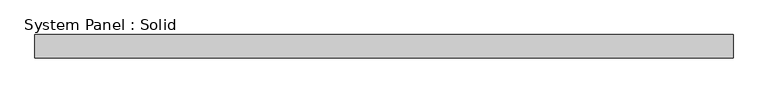
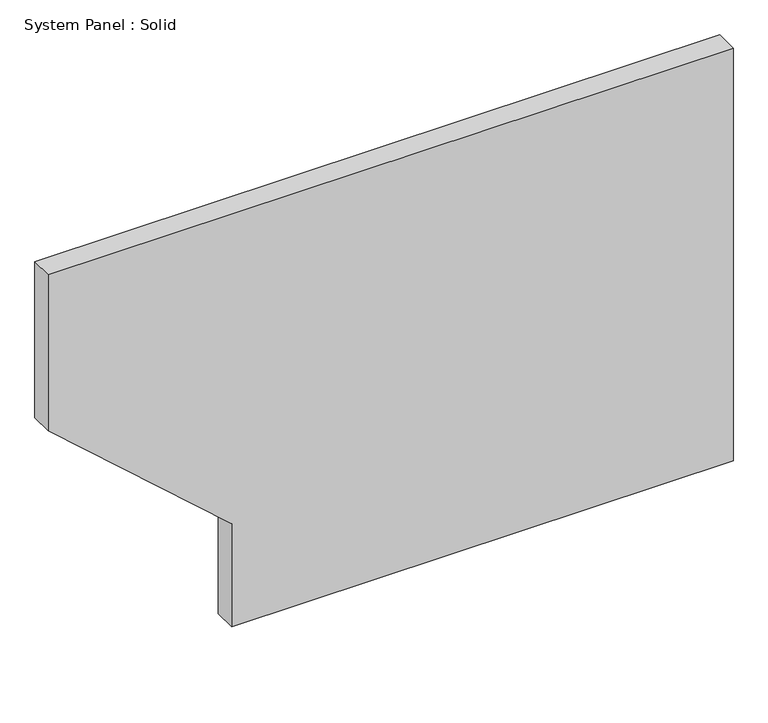
"""IFC4 building model written with IfcOpenShell, lengths in millimetres: plate geometry, System Panel : Solid."""

import ifcopenshell
import ifcopenshell.guid

model = None  # the IFC model being written
_history = None  # IfcOwnerHistory: only IFC2X3 demands one
_inside = {}  # id of a spatial element -> (the spatial element, [elements in it])
_under = {}  # id of a project, library or spatial element -> (it, [spatial elements below it])
_declared = {}  # id of a project -> (the project, [libraries it declares])
_typed = {}  # id of a type object -> (the type object, [elements of that type])
_made_of = {}  # id of a material, layer set ... -> (it, [elements and type objects made of it])


def new_model(schema):
    """Start an empty IFC model of exactly this schema.

    Asked for "IFC4X3", IfcOpenShell would pick the latest addendum, in which some entities
    have other attributes; the version numbers below select the first issue.
    IFC2X3 requires an IfcOwnerHistory on every rooted entity: one is made here for all.
    """
    global model, _history
    if schema == "IFC4X3":
        model = ifcopenshell.file(schema_version=(4, 3, 0, 0))
    else:
        model = ifcopenshell.file(schema=schema)
    _inside.clear()
    _under.clear()
    _declared.clear()
    _typed.clear()
    _made_of.clear()
    _history = None
    if model.schema == "IFC2X3":
        org = make("IfcOrganization", Name="unknown")
        user = make(
            "IfcPersonAndOrganization",
            ThePerson=make("IfcPerson", FamilyName="unknown"),
            TheOrganization=org,
        )
        app = make(
            "IfcApplication",
            ApplicationDeveloper=org,
            Version="unknown",
            ApplicationFullName="unknown",
            ApplicationIdentifier="unknown",
        )
        _history = make(
            "IfcOwnerHistory",
            OwningUser=user,
            OwningApplication=app,
            ChangeAction="ADDED",
            CreationDate=0,
        )
    return model


def make(cls, **values):
    """One entity of the class cls with the attributes given. An attribute that is None is left unset."""
    return model.create_entity(
        cls, **{name: value for name, value in values.items() if value is not None}
    )


def rooted(cls, **values):
    """An entity with a GlobalId (a new one), such as an element, a storey or a relation."""
    return make(cls, GlobalId=ifcopenshell.guid.new(), OwnerHistory=_history, **values)


def si_unit(unit_type, name, prefix=None):
    """IfcSIUnit, for example si_unit("LENGTHUNIT", "METRE", prefix="MILLI")."""
    return make("IfcSIUnit", UnitType=unit_type, Prefix=prefix, Name=name)


def assignment(units):
    """IfcUnitAssignment: the units of a project."""
    return None if units is None else make("IfcUnitAssignment", Units=units)


def point(xyz):
    """IfcCartesianPoint."""
    return None if xyz is None else make("IfcCartesianPoint", Coordinates=xyz)


def direction(xyz):
    """IfcDirection."""
    return None if xyz is None else make("IfcDirection", DirectionRatios=xyz)


def frame(location, z_axis=None, x_axis=None):
    """IfcAxis2Placement3D, a coordinate frame: its origin and axes. An axis left out is left unset."""
    return make(
        "IfcAxis2Placement3D",
        Location=point(location),
        Axis=direction(z_axis),
        RefDirection=direction(x_axis),
    )


def origin():
    """The frame at (0, 0, 0) with its axes left unset."""
    return frame((0.0, 0.0, 0.0))


def place(relative_to, where):
    """IfcLocalPlacement: puts the frame where relative to a parent placement (None: the world)."""
    return make(
        "IfcLocalPlacement", PlacementRelTo=relative_to, RelativePlacement=where
    )


def context(
    kind, dimensions, precision=None, world=None, true_north=None, identifier=None
):
    """IfcGeometricRepresentationContext, for example the 3D "Model" context."""
    return make(
        "IfcGeometricRepresentationContext",
        ContextIdentifier=identifier,
        ContextType=kind,
        CoordinateSpaceDimension=dimensions,
        Precision=precision,
        WorldCoordinateSystem=world,
        TrueNorth=true_north,
    )


def project(units=None, contexts=None):
    """IfcProject with its units and contexts."""
    return rooted(
        "IfcProject",
        Name="project",
        RepresentationContexts=contexts,
        UnitsInContext=assignment(units),
    )


def spatial(cls, under=None, at=None, **own):
    """A site, building, storey or space (cls), placed at a placement, below another one or the project."""
    s = rooted(cls, ObjectPlacement=at, **own)
    if under is not None:
        _under.setdefault(under.id(), (under, []))[1].append(s)
    return s


def polyline(points):
    """IfcPolyline through the points."""
    return make("IfcPolyline", Points=[point(p) for p in points])


def outline(outer, holes=None, kind="AREA"):
    """IfcArbitraryClosedProfileDef: a profile drawn as a closed curve; with holes, ...WithVoids."""
    if holes is None:
        return make("IfcArbitraryClosedProfileDef", ProfileType=kind, OuterCurve=outer)
    return make(
        "IfcArbitraryProfileDefWithVoids",
        ProfileType=kind,
        OuterCurve=outer,
        InnerCurves=holes,
    )


def extrude(swept, where, along, depth):
    """IfcExtrudedAreaSolid: the profile swept, set in the frame where, extruded along a direction by depth."""
    return make(
        "IfcExtrudedAreaSolid",
        SweptArea=swept,
        Position=where,
        ExtrudedDirection=direction(along),
        Depth=depth,
    )


def shape(context_of_items, identifier, shape_type, items):
    """IfcShapeRepresentation: the items that make up one representation, for example the "Body"."""
    return make(
        "IfcShapeRepresentation",
        ContextOfItems=context_of_items,
        RepresentationIdentifier=identifier,
        RepresentationType=shape_type,
        Items=items,
    )


def source(mapping_origin, context_of_items, identifier, shape_type, items):
    """IfcRepresentationMap: a shape defined once, which mapped items show again and again."""
    return make(
        "IfcRepresentationMap",
        MappingOrigin=mapping_origin,
        MappedRepresentation=shape(context_of_items, identifier, shape_type, items),
    )


def transform(
    local_origin,
    x_axis=None,
    y_axis=None,
    z_axis=None,
    scale=None,
    scale2=None,
    scale3=None,
    uniform=True,
):
    """IfcCartesianTransformationOperator3D, or its non-uniform kind. x_axis, y_axis, z_axis: its Axis1, 2, 3."""
    if uniform:
        return make(
            "IfcCartesianTransformationOperator3D",
            Axis1=direction(x_axis),
            Axis2=direction(y_axis),
            LocalOrigin=point(local_origin),
            Scale=scale,
            Axis3=direction(z_axis),
        )
    return make(
        "IfcCartesianTransformationOperator3DnonUniform",
        Axis1=direction(x_axis),
        Axis2=direction(y_axis),
        LocalOrigin=point(local_origin),
        Scale=scale,
        Axis3=direction(z_axis),
        Scale2=scale2,
        Scale3=scale3,
    )


def mapped(mapping_source, mapping_target):
    """IfcMappedItem: shows the shape of a source again, moved by a transform."""
    return make(
        "IfcMappedItem", MappingSource=mapping_source, MappingTarget=mapping_target
    )


def made_of(thing, what):
    """Note that an element or type object is made of a material, layer set ...; save() writes the relation."""
    if what is not None:
        _made_of.setdefault(what.id(), (what, []))[1].append(thing)
    return thing


def element(
    cls,
    number,
    at=None,
    inside=None,
    cuts=None,
    type_object=None,
    material=None,
    context=None,
    identifier="Body",
    shape_type=None,
    held_by="IfcProductDefinitionShape",
    body=None,
    shapes=None,
    **own,
):
    """One element of the class cls, such as IfcWall. Its Tag is "e" and its number.

    at: its placement. inside: the storey or other place that contains it. cuts: it is an
    opening in that element (IfcRelVoidsElement). A single representation is given by context,
    identifier, shape_type and body (its items); several are given by shapes. held_by: the class
    of the entity that holds the representations. save() writes the other relations.
    """
    e = rooted(cls, Tag="e%d" % number, ObjectPlacement=at, **own)
    if body is not None:
        shapes = [shape(context, identifier, shape_type, body)]
    if shapes is not None:
        e.Representation = make(held_by, Representations=shapes)
    if inside is not None:
        _inside.setdefault(inside.id(), (inside, []))[1].append(e)
    if cuts is not None:
        rooted(
            "IfcRelVoidsElement", RelatingBuildingElement=cuts, RelatedOpeningElement=e
        )
    if type_object is not None:
        _typed.setdefault(type_object.id(), (type_object, []))[1].append(e)
    return made_of(e, material)


def aggregate(whole, parts):
    """IfcRelAggregates: a whole, such as a stair, and the parts it consists of."""
    return rooted("IfcRelAggregates", RelatingObject=whole, RelatedObjects=parts)


def save(model, path):
    """Write the relations noted so far, then the file.

    IfcRelAggregates (storeys below a building ...), IfcRelContainedInSpatialStructure (elements
    in a storey), IfcRelDefinesByType, IfcRelAssociatesMaterial and IfcRelDeclares: one each for
    every whole, place, type object, material and project.
    """
    for whole, parts in _under.values():
        aggregate(whole, parts)
    for where, things in _inside.values():
        rooted(
            "IfcRelContainedInSpatialStructure",
            RelatedElements=things,
            RelatingStructure=where,
        )
    for kind, things in _typed.values():
        rooted("IfcRelDefinesByType", RelatedObjects=things, RelatingType=kind)
    for what, things in _made_of.values():
        rooted("IfcRelAssociatesMaterial", RelatedObjects=things, RelatingMaterial=what)
    for by, libraries in _declared.values():
        rooted("IfcRelDeclares", RelatingContext=by, RelatedDefinitions=libraries)
    model.write(path)


def system_panel_solid_3a286279(model_context):
    return source(origin(), model_context, "Body", "SweptSolid", [
        extrude(outline(polyline([(0.0, -415.6197409), (0.0, 894.7305791), (1140.0, 894.7305791), (1140.0, -894.7305791), (709.4367511, -894.7305791), (284.371901, -415.6197409), (0.0, -415.6197409)])), frame((0.0, -10.5, 0.0), z_axis=(0.0, 1.0, 0.0), x_axis=(0.0, 0.0, 1.0)), (0.0, 0.0, 1.0), 60.0),
    ])


if __name__ == "__main__":
    model = new_model("IFC4")
    model_context = context("Model", 3, world=origin())
    ifc_project = project(units=[si_unit("LENGTHUNIT", "METRE", prefix="MILLI")], contexts=[model_context])
    site = spatial("IfcSite", under=ifc_project)
    building = spatial("IfcBuilding", under=site)
    placement = place(None, origin())
    system_panel_solid_shape = system_panel_solid_3a286279(model_context)
    element("IfcPlate", 1, ObjectType="System Panel : Solid", at=placement, inside=building, context=model_context, shape_type="MappedRepresentation", body=[
        mapped(system_panel_solid_shape, transform((0.0, 0.0, 0.0), x_axis=(1.0, 0.0, 0.0), y_axis=(0.0, 1.0, 0.0), z_axis=(0.0, 0.0, 1.0))),
    ])
    save(model, "model.ifc")
